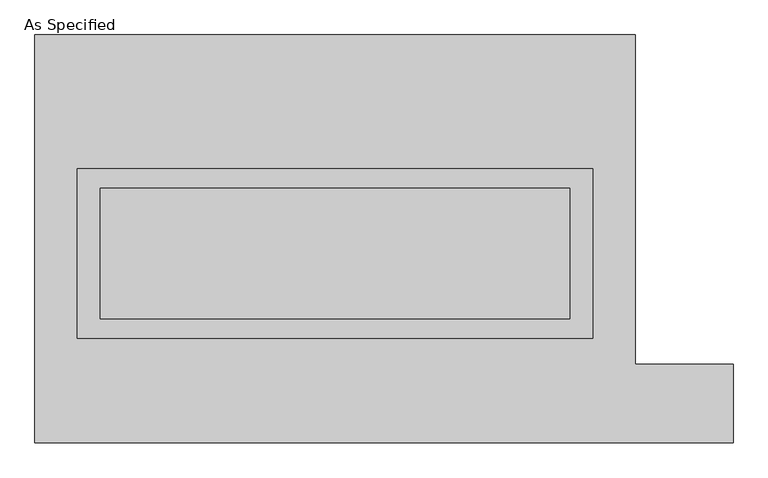
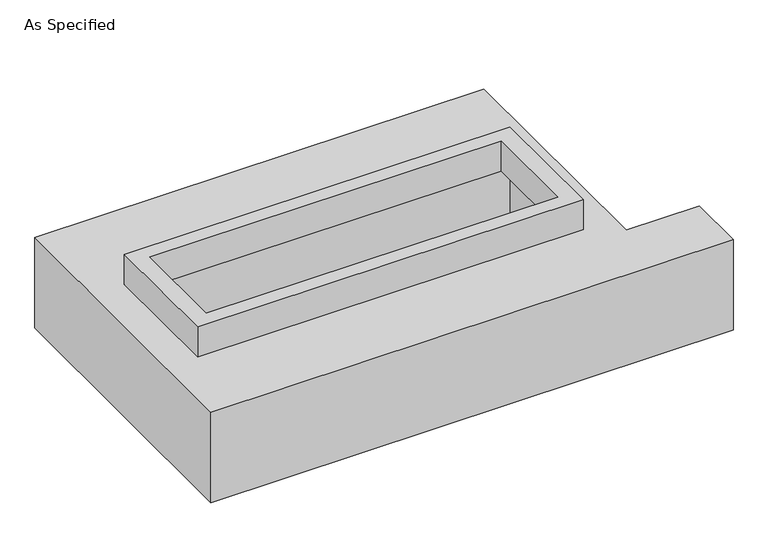
"""IFC4 building model written with IfcOpenShell, lengths in millimetres: proxy geometry, As Specified."""

from ifc_helpers import new_model, si_unit, frame, origin, place, context, project, spatial, polyline, outline, extrude, faceted_brep, source, transform, mapped, element, save


def as_specified_1c033fed(model_context):
    return source(origin(), model_context, "Body", "SolidModel", [
        extrude(outline(polyline([(1003.3, 273.05), (1003.3, -387.35), (-1003.3, -387.35), (-1003.3, 273.05), (1003.3, 273.05)]), holes=[polyline([(914.4, 196.85), (-914.4, 196.85), (-914.4, -311.15), (914.4, -311.15), (914.4, 196.85)])]), frame((0.0, 0.0, -25.4), z_axis=(0.0, 0.0, 1.0), x_axis=(1.0, 0.0, 0.0)), (0.0, 0.0, 1.0), 165.1),
        faceted_brep([(-1168.4, 793.75, -523.875), (1168.4, 793.75, -523.875), (1168.4, -488.95, -523.875), (1549.4, -488.95, -523.875), (1549.4, -793.75, -523.875), (-1168.4, -793.75, -523.875), (1168.4, 793.75, -25.4), (-1168.4, 793.75, -25.4), (-1168.4, -793.75, -25.4), (1549.4, -793.75, -25.4), (1549.4, -488.95, -25.4), (1168.4, -488.95, -25.4), (-1003.3, -387.35, -25.4), (-1003.3, 273.05, -25.4), (1003.3, 273.05, -25.4), (1003.3, -387.35, -25.4), (1003.3, 273.05, -498.475), (-1003.3, 273.05, -498.475), (-1003.3, -387.35, -498.475), (1003.3, -387.35, -498.475)], [[[0, 1, 2, 3, 4, 5]], [[6, 7, 8, 9, 10, 11], [12, 13, 14, 15]], [[1, 0, 7, 6]], [[7, 0, 5, 8]], [[1, 6, 11, 2]], [[16, 17, 18, 19]], [[18, 17, 13, 12]], [[17, 16, 14, 13]], [[16, 19, 15, 14]], [[19, 18, 12, 15]], [[5, 4, 9, 8]], [[3, 2, 11, 10]], [[4, 3, 10, 9]]]),
    ])


if __name__ == "__main__":
    model = new_model("IFC4")
    model_context = context("Model", 3, world=origin())
    ifc_project = project(units=[si_unit("LENGTHUNIT", "METRE", prefix="MILLI")], contexts=[model_context])
    site = spatial("IfcSite", under=ifc_project)
    building = spatial("IfcBuilding", under=site)
    placement = place(None, origin())
    as_specified_shape = as_specified_1c033fed(model_context)
    element("IfcBuildingElementProxy", 1, Name="As Specified", ObjectType="As Specified", at=placement, inside=building, context=model_context, shape_type="MappedRepresentation", body=[
        mapped(as_specified_shape, transform((0.0, 0.0, 0.0), x_axis=(1.0, 0.0, 0.0), y_axis=(0.0, 1.0, 0.0), z_axis=(0.0, 0.0, 1.0))),
    ])
    save(model, "model.ifc")
